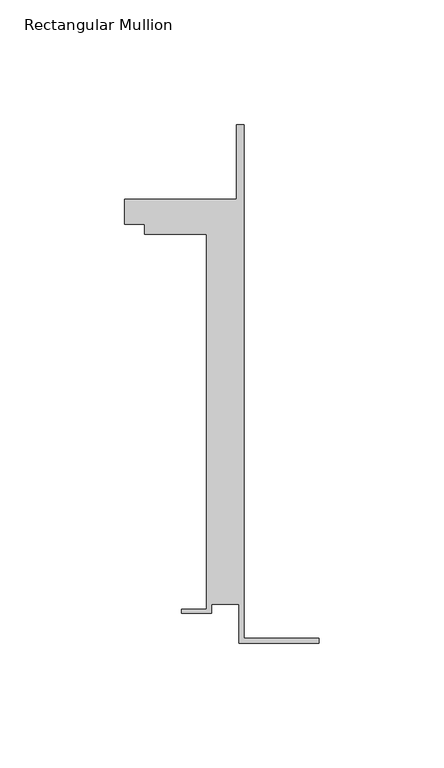
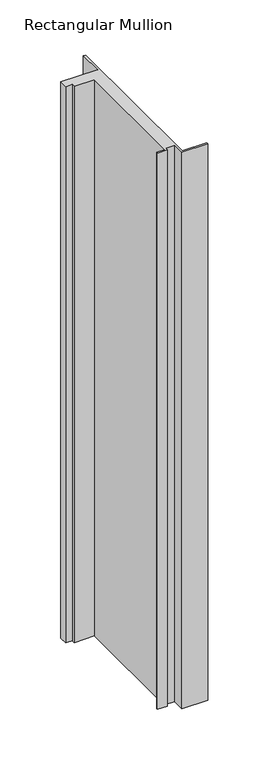
"""IFC4 building model written with IfcOpenShell, lengths in millimetres: member geometry, Rectangular Mullion."""

from ifc_helpers import new_model, si_unit, frame, origin, place, context, project, spatial, polyline, outline, extrude, source, transform, mapped, element, save


def rectangular_mullion_dd550af4(model_context):
    return source(origin(), model_context, "Body", "SweptSolid", [
        extrude(outline(polyline([(-32.1465839, -41.25), (-32.1465839, -25.75), (-43.1465839, -25.75), (-43.1465839, -29.25), (-55.1465839, -29.25), (-55.1465839, -27.75), (-45.1465839, -27.75), (-45.1465839, 122.75), (-70.1466122, 122.75), (-70.1466122, 126.75), (-78.1466122, 126.75), (-78.1466122, 136.75), (-33.1466122, 136.75), (-33.1466122, 166.75), (-30.1465839, 166.75), (-30.1465839, -39.25), (0.0, -39.25), (0.0, -41.25), (-32.1465839, -41.25)])), frame((0.0, 0.0, -724.0203788), z_axis=(0.0, 0.0, 1.0), x_axis=(1.0, 0.0, 0.0)), (0.0, 0.0, 1.0), 724.0203788),
    ])


if __name__ == "__main__":
    model = new_model("IFC4")
    model_context = context("Model", 3, world=origin())
    ifc_project = project(units=[si_unit("LENGTHUNIT", "METRE", prefix="MILLI")], contexts=[model_context])
    site = spatial("IfcSite", under=ifc_project)
    building = spatial("IfcBuilding", under=site)
    placement = place(None, origin())
    rectangular_mullion_shape = rectangular_mullion_dd550af4(model_context)
    element("IfcMember", 1, ObjectType="Rectangular Mullion", at=placement, inside=building, context=model_context, shape_type="MappedRepresentation", body=[
        mapped(rectangular_mullion_shape, transform((0.0, 0.0, 0.0), x_axis=(1.0, 0.0, 0.0), y_axis=(0.0, 1.0, 0.0), z_axis=(0.0, 0.0, 1.0))),
    ])
    save(model, "model.ifc")
